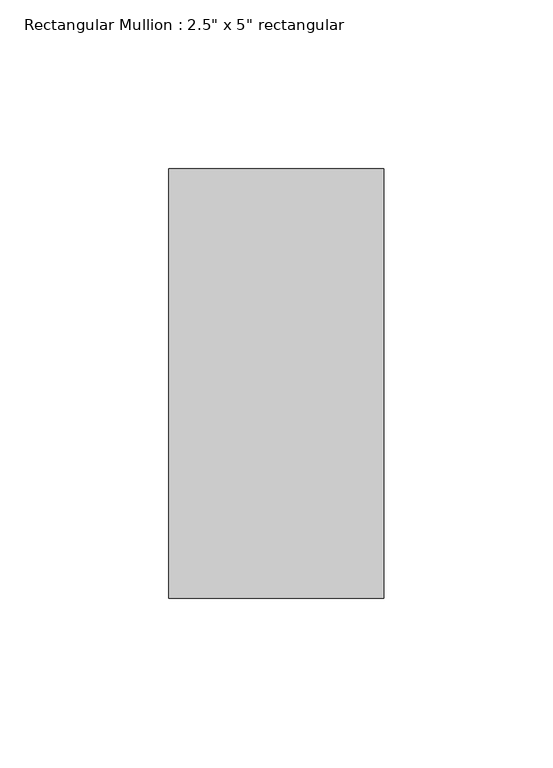
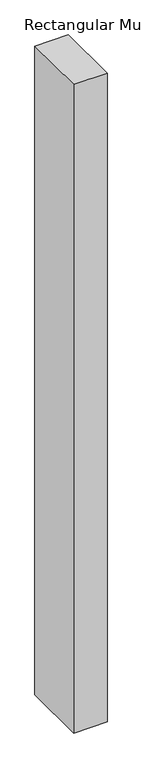
"""IFC4 building model written with IfcOpenShell, lengths in millimetres: member geometry."""

from ifc_helpers import new_model, si_unit, frame, origin, place, context, project, spatial, polyline, outline, extrude, source, transform, mapped, element, save


def member_4cf926d2(model_context):
    return source(origin(), model_context, "Body", "SweptSolid", [
        extrude(outline(polyline([(0.0, 63.5), (0.0, -63.5), (-63.5, -63.5), (-63.5, 63.5), (0.0, 63.5)])), frame((0.0, 0.0, -1300.2256882), z_axis=(0.0, 0.0, 1.0), x_axis=(1.0, 0.0, 0.0)), (0.0, 0.0, 1.0), 1300.2256882),
    ])


if __name__ == "__main__":
    model = new_model("IFC4")
    model_context = context("Model", 3, world=origin())
    ifc_project = project(units=[si_unit("LENGTHUNIT", "METRE", prefix="MILLI")], contexts=[model_context])
    site = spatial("IfcSite", under=ifc_project)
    building = spatial("IfcBuilding", under=site)
    placement = place(None, origin())
    member_shape = member_4cf926d2(model_context)
    element("IfcMember", 1, ObjectType="Rectangular Mullion : 2.5\" x 5\" rectangular", at=placement, inside=building, context=model_context, shape_type="MappedRepresentation", body=[
        mapped(member_shape, transform((0.0, 0.0, 0.0), x_axis=(1.0, 0.0, 0.0), y_axis=(0.0, 1.0, 0.0), z_axis=(0.0, 0.0, 1.0))),
    ])
    save(model, "model.ifc")
